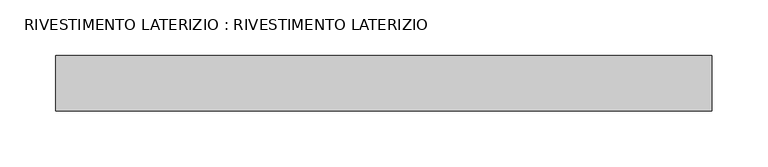
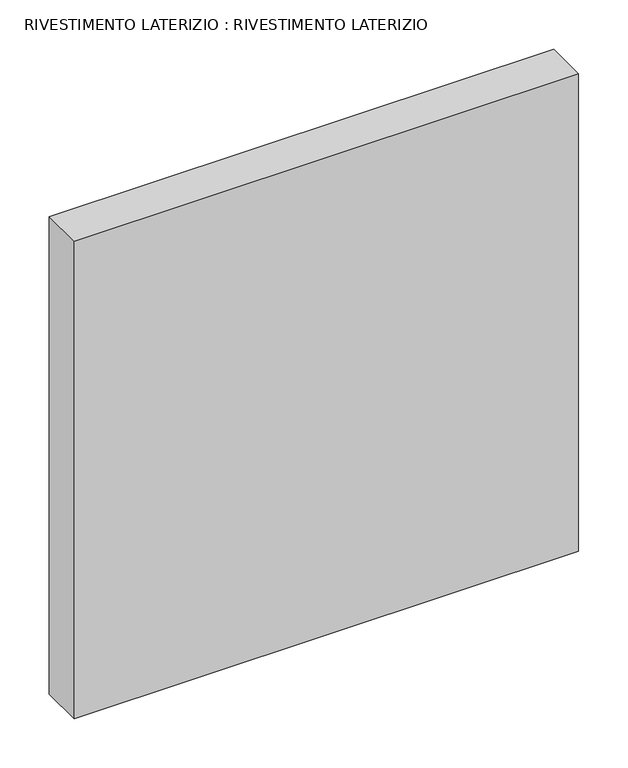
"""IFC4 building model written with IfcOpenShell, lengths in millimetres: plate geometry, RIVESTIMENTO LATERIZIO : RIVESTIMENTO LATERIZIO."""

from ifc_helpers import new_model, si_unit, frame, origin, place, context, project, spatial, polyline, outline, extrude, source, transform, mapped, element, save


def rivestimento_laterizio_rivestimento_laterizio_f523165a(model_context):
    return source(origin(), model_context, "Body", "SweptSolid", [
        extrude(outline(polyline([(-294.7831559, 0.1121729), (295.0, 0.1121729), (295.0, -49.8878271), (-294.7831559, -49.8878271), (-294.7831559, 0.1121729)])), frame((0.0, 0.0, 5.0), z_axis=(0.0, 0.0, 1.0), x_axis=(1.0, 0.0, 0.0)), (0.0, 0.0, 1.0), 590.0),
    ])


if __name__ == "__main__":
    model = new_model("IFC4")
    model_context = context("Model", 3, world=origin())
    ifc_project = project(units=[si_unit("LENGTHUNIT", "METRE", prefix="MILLI")], contexts=[model_context])
    site = spatial("IfcSite", under=ifc_project)
    building = spatial("IfcBuilding", under=site)
    placement = place(None, origin())
    rivestimento_laterizio_rivestimento_laterizio_shape = rivestimento_laterizio_rivestimento_laterizio_f523165a(model_context)
    element("IfcPlate", 1, ObjectType="RIVESTIMENTO LATERIZIO : RIVESTIMENTO LATERIZIO", at=placement, inside=building, context=model_context, shape_type="MappedRepresentation", body=[
        mapped(rivestimento_laterizio_rivestimento_laterizio_shape, transform((0.0, 0.0, 0.0), x_axis=(1.0, 0.0, 0.0), y_axis=(0.0, 1.0, 0.0), z_axis=(0.0, 0.0, 1.0))),
    ])
    save(model, "model.ifc")
